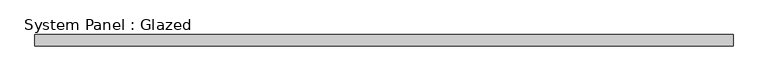
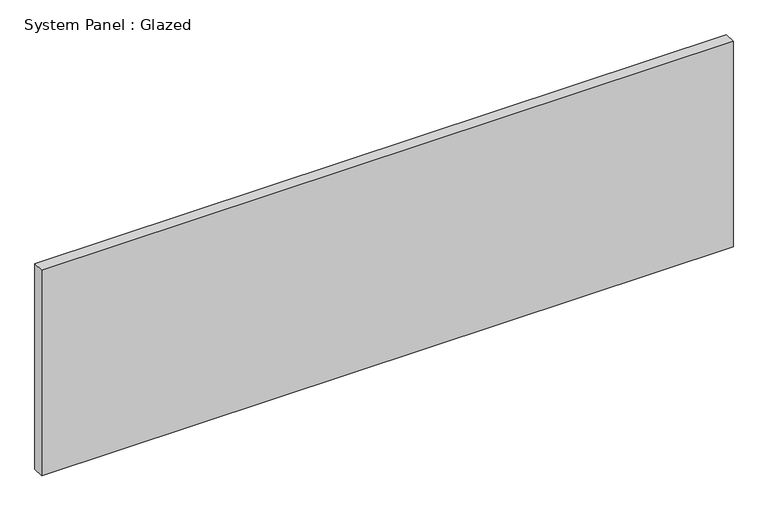
"""IFC4 building model written with IfcOpenShell, lengths in millimetres: plate geometry, System Panel : Glazed."""

from ifc_helpers import new_model, si_unit, origin, origin_with_axes, place, context, project, spatial, polyline, outline, extrude, source, transform, mapped, element, save


def system_panel_glazed_fd295b00(model_context):
    return source(origin(), model_context, "Body", "SweptSolid", [
        extrude(outline(polyline([(757.01256, 24.5), (-757.01256, 24.5), (-757.01256, 49.5), (757.01256, 49.5), (757.01256, 24.5)])), origin_with_axes(), (0.0, 0.0, 1.0), 475.0548808),
    ])


if __name__ == "__main__":
    model = new_model("IFC4")
    model_context = context("Model", 3, world=origin())
    ifc_project = project(units=[si_unit("LENGTHUNIT", "METRE", prefix="MILLI")], contexts=[model_context])
    site = spatial("IfcSite", under=ifc_project)
    building = spatial("IfcBuilding", under=site)
    placement = place(None, origin())
    system_panel_glazed_shape = system_panel_glazed_fd295b00(model_context)
    element("IfcPlate", 1, ObjectType="System Panel : Glazed", at=placement, inside=building, context=model_context, shape_type="MappedRepresentation", body=[
        mapped(system_panel_glazed_shape, transform((0.0, 0.0, 0.0), x_axis=(1.0, 0.0, 0.0), y_axis=(0.0, 1.0, 0.0), z_axis=(0.0, 0.0, 1.0))),
    ])
    save(model, "model.ifc")
